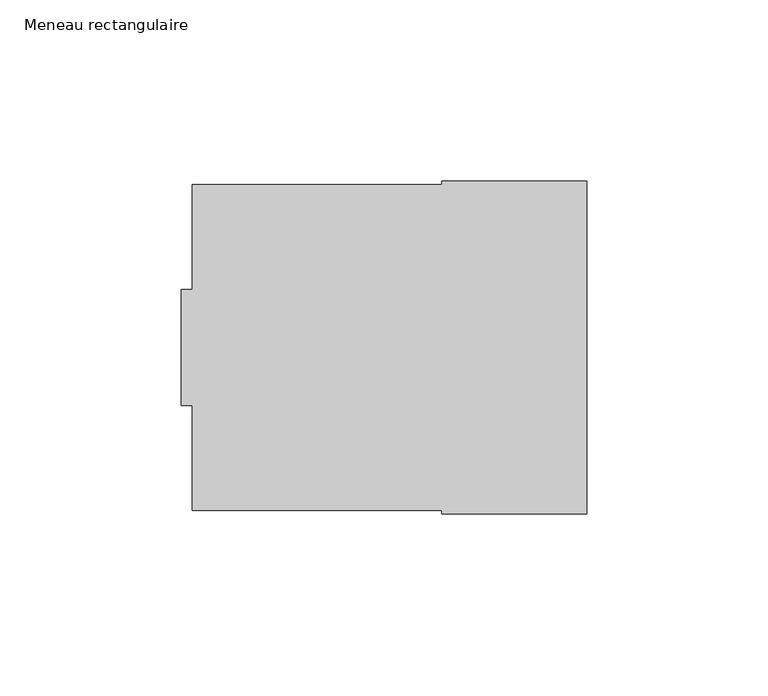
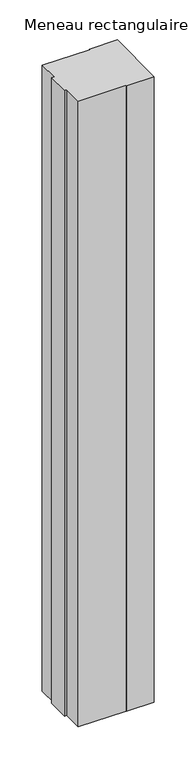
"""IFC4 building model written with IfcOpenShell, lengths in millimetres: member geometry, Meneau rectangulaire."""

from ifc_helpers import new_model, si_unit, frame, origin, place, context, project, spatial, polyline, outline, extrude, source, transform, mapped, element, save


def meneau_rectangulaire_af88a654(model_context):
    return source(origin(), model_context, "Body", "SweptSolid", [
        extrude(outline(polyline([(-109.0, 16.0), (-109.0, 45.0), (-40.0, 45.0), (-40.0, 46.0), (0.0, 46.0), (0.0, -46.0), (-40.0, -46.0), (-40.0, -45.0), (-109.0, -45.0), (-109.0, -16.0), (-112.0, -16.0), (-112.0, 16.0), (-109.0, 16.0)])), frame((0.0, 0.0, -955.0), z_axis=(0.0, 0.0, 1.0), x_axis=(1.0, 0.0, 0.0)), (0.0, 0.0, 1.0), 955.0),
    ])


if __name__ == "__main__":
    model = new_model("IFC4")
    model_context = context("Model", 3, world=origin())
    ifc_project = project(units=[si_unit("LENGTHUNIT", "METRE", prefix="MILLI")], contexts=[model_context])
    site = spatial("IfcSite", under=ifc_project)
    building = spatial("IfcBuilding", under=site)
    placement = place(None, origin())
    meneau_rectangulaire_shape = meneau_rectangulaire_af88a654(model_context)
    element("IfcMember", 1, ObjectType="Meneau rectangulaire", at=placement, inside=building, context=model_context, shape_type="MappedRepresentation", body=[
        mapped(meneau_rectangulaire_shape, transform((0.0, 0.0, 0.0), x_axis=(1.0, 0.0, 0.0), y_axis=(0.0, 1.0, 0.0), z_axis=(0.0, 0.0, 1.0))),
    ])
    save(model, "model.ifc")
